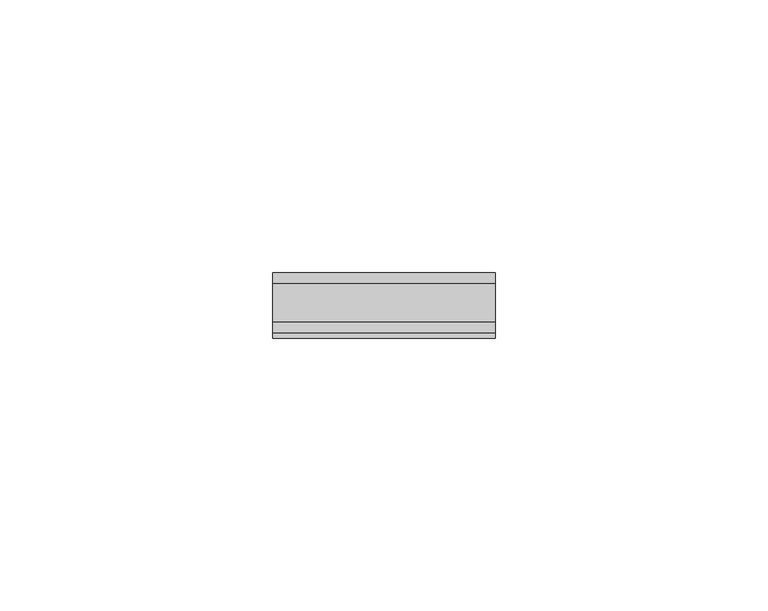
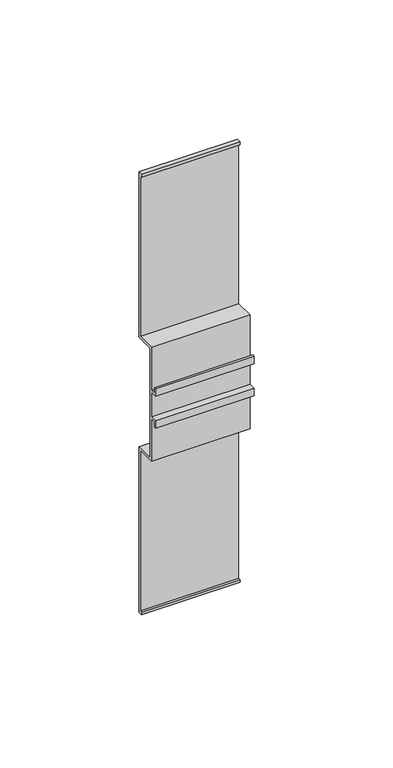
"""IFC4 building model written with IfcOpenShell, lengths in millimetres: proxy geometry."""

from ifc_helpers import new_model, si_unit, frame, origin, place, context, project, spatial, polyline, outline, extrude, source, transform, mapped, element, save


def building_element_proxy_d8a5edaf(model_context):
    return source(origin(), model_context, "Body", "SweptSolid", [
        extrude(outline(polyline([(32.5229716, 77.75), (32.5229716, 5.1840596), (30.6033364, 5.1840596), (30.6033364, 6.3499823), (31.5229716, 6.3499823), (31.5229716, 76.75), (23.5229716, 76.75), (23.5229716, 95.5025015), (21.4409974, 95.5025015), (21.4409974, 93.0738385), (20.5669924, 93.0738385), (20.5669924, 96.3950575), (23.5229716, 96.3950575), (23.5229716, 107.1049425), (20.5669924, 107.1049425), (20.5669924, 110.4261615), (21.4409974, 110.4261615), (21.4409974, 107.9974985), (23.5229716, 107.9974985), (23.5229716, 126.75), (31.5229716, 126.75), (31.5229716, 197.1500177), (30.6033364, 197.1500177), (30.6033364, 198.3159404), (32.5229716, 198.3159404), (32.5229716, 125.75), (24.5229716, 125.75), (24.5229716, 101.75), (24.5229716, 77.75), (32.5229716, 77.75)])), frame((-20.4559659, 0.0, 0.0), z_axis=(1.0, 0.0, 0.0), x_axis=(0.0, 1.0, 0.0)), (0.0, 0.0, 1.0), 40.7996964),
    ])


if __name__ == "__main__":
    model = new_model("IFC4")
    model_context = context("Model", 3, world=origin())
    ifc_project = project(units=[si_unit("LENGTHUNIT", "METRE", prefix="MILLI")], contexts=[model_context])
    site = spatial("IfcSite", under=ifc_project)
    building = spatial("IfcBuilding", under=site)
    placement = place(None, origin())
    building_element_proxy_shape = building_element_proxy_d8a5edaf(model_context)
    element("IfcBuildingElementProxy", 1, Name="Building Element Proxy", at=placement, inside=building, context=model_context, shape_type="MappedRepresentation", body=[
        mapped(building_element_proxy_shape, transform((0.0, 0.0, 0.0), x_axis=(1.0, 0.0, 0.0), y_axis=(0.0, 1.0, 0.0), z_axis=(0.0, 0.0, 1.0))),
    ])
    save(model, "model.ifc")
